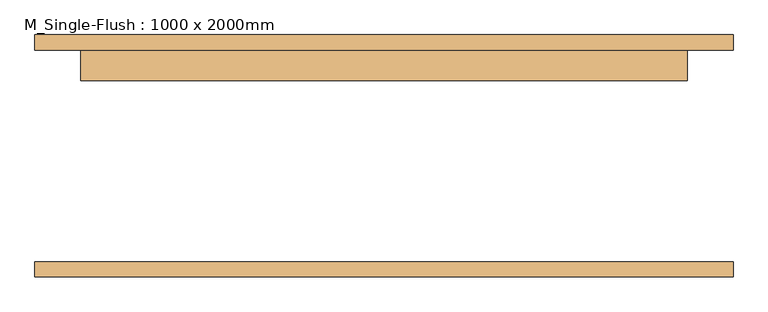
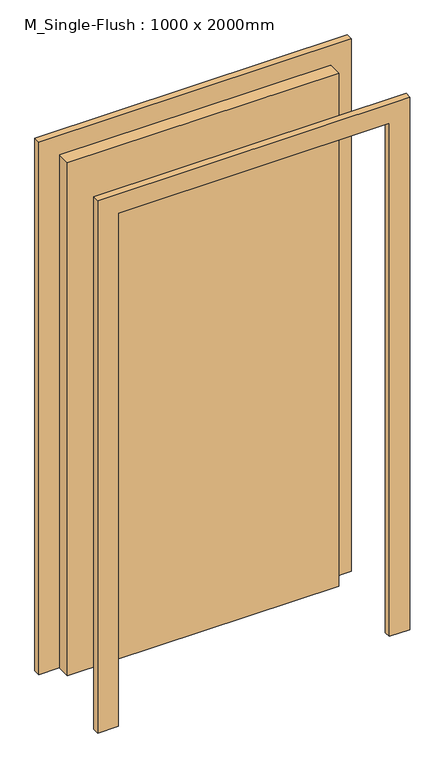
"""IFC4 building model written with IfcOpenShell, lengths in millimetres: door geometry, M_Single-Flush : 1000 x 2000mm."""

import ifcopenshell
import ifcopenshell.guid

model = None  # the IFC model being written
_history = None  # IfcOwnerHistory: only IFC2X3 demands one
_inside = {}  # id of a spatial element -> (the spatial element, [elements in it])
_under = {}  # id of a project, library or spatial element -> (it, [spatial elements below it])
_declared = {}  # id of a project -> (the project, [libraries it declares])
_typed = {}  # id of a type object -> (the type object, [elements of that type])
_made_of = {}  # id of a material, layer set ... -> (it, [elements and type objects made of it])


def new_model(schema):
    """Start an empty IFC model of exactly this schema.

    Asked for "IFC4X3", IfcOpenShell would pick the latest addendum, in which some entities
    have other attributes; the version numbers below select the first issue.
    IFC2X3 requires an IfcOwnerHistory on every rooted entity: one is made here for all.
    """
    global model, _history
    if schema == "IFC4X3":
        model = ifcopenshell.file(schema_version=(4, 3, 0, 0))
    else:
        model = ifcopenshell.file(schema=schema)
    _inside.clear()
    _under.clear()
    _declared.clear()
    _typed.clear()
    _made_of.clear()
    _history = None
    if model.schema == "IFC2X3":
        org = make("IfcOrganization", Name="unknown")
        user = make(
            "IfcPersonAndOrganization",
            ThePerson=make("IfcPerson", FamilyName="unknown"),
            TheOrganization=org,
        )
        app = make(
            "IfcApplication",
            ApplicationDeveloper=org,
            Version="unknown",
            ApplicationFullName="unknown",
            ApplicationIdentifier="unknown",
        )
        _history = make(
            "IfcOwnerHistory",
            OwningUser=user,
            OwningApplication=app,
            ChangeAction="ADDED",
            CreationDate=0,
        )
    return model


def make(cls, **values):
    """One entity of the class cls with the attributes given. An attribute that is None is left unset."""
    return model.create_entity(
        cls, **{name: value for name, value in values.items() if value is not None}
    )


def rooted(cls, **values):
    """An entity with a GlobalId (a new one), such as an element, a storey or a relation."""
    return make(cls, GlobalId=ifcopenshell.guid.new(), OwnerHistory=_history, **values)


def si_unit(unit_type, name, prefix=None):
    """IfcSIUnit, for example si_unit("LENGTHUNIT", "METRE", prefix="MILLI")."""
    return make("IfcSIUnit", UnitType=unit_type, Prefix=prefix, Name=name)


def assignment(units):
    """IfcUnitAssignment: the units of a project."""
    return None if units is None else make("IfcUnitAssignment", Units=units)


def point(xyz):
    """IfcCartesianPoint."""
    return None if xyz is None else make("IfcCartesianPoint", Coordinates=xyz)


def direction(xyz):
    """IfcDirection."""
    return None if xyz is None else make("IfcDirection", DirectionRatios=xyz)


def frame(location, z_axis=None, x_axis=None):
    """IfcAxis2Placement3D, a coordinate frame: its origin and axes. An axis left out is left unset."""
    return make(
        "IfcAxis2Placement3D",
        Location=point(location),
        Axis=direction(z_axis),
        RefDirection=direction(x_axis),
    )


def origin():
    """The frame at (0, 0, 0) with its axes left unset."""
    return frame((0.0, 0.0, 0.0))


def origin_with_axes():
    """The frame at (0, 0, 0) with the z axis (0, 0, 1) and the x axis (1, 0, 0) written out."""
    return frame((0.0, 0.0, 0.0), z_axis=(0.0, 0.0, 1.0), x_axis=(1.0, 0.0, 0.0))


def place(relative_to, where):
    """IfcLocalPlacement: puts the frame where relative to a parent placement (None: the world)."""
    return make(
        "IfcLocalPlacement", PlacementRelTo=relative_to, RelativePlacement=where
    )


def context(
    kind, dimensions, precision=None, world=None, true_north=None, identifier=None
):
    """IfcGeometricRepresentationContext, for example the 3D "Model" context."""
    return make(
        "IfcGeometricRepresentationContext",
        ContextIdentifier=identifier,
        ContextType=kind,
        CoordinateSpaceDimension=dimensions,
        Precision=precision,
        WorldCoordinateSystem=world,
        TrueNorth=true_north,
    )


def project(units=None, contexts=None):
    """IfcProject with its units and contexts."""
    return rooted(
        "IfcProject",
        Name="project",
        RepresentationContexts=contexts,
        UnitsInContext=assignment(units),
    )


def spatial(cls, under=None, at=None, **own):
    """A site, building, storey or space (cls), placed at a placement, below another one or the project."""
    s = rooted(cls, ObjectPlacement=at, **own)
    if under is not None:
        _under.setdefault(under.id(), (under, []))[1].append(s)
    return s


def polyline(points):
    """IfcPolyline through the points."""
    return make("IfcPolyline", Points=[point(p) for p in points])


def outline(outer, holes=None, kind="AREA"):
    """IfcArbitraryClosedProfileDef: a profile drawn as a closed curve; with holes, ...WithVoids."""
    if holes is None:
        return make("IfcArbitraryClosedProfileDef", ProfileType=kind, OuterCurve=outer)
    return make(
        "IfcArbitraryProfileDefWithVoids",
        ProfileType=kind,
        OuterCurve=outer,
        InnerCurves=holes,
    )


def extrude(swept, where, along, depth):
    """IfcExtrudedAreaSolid: the profile swept, set in the frame where, extruded along a direction by depth."""
    return make(
        "IfcExtrudedAreaSolid",
        SweptArea=swept,
        Position=where,
        ExtrudedDirection=direction(along),
        Depth=depth,
    )


def shape(context_of_items, identifier, shape_type, items):
    """IfcShapeRepresentation: the items that make up one representation, for example the "Body"."""
    return make(
        "IfcShapeRepresentation",
        ContextOfItems=context_of_items,
        RepresentationIdentifier=identifier,
        RepresentationType=shape_type,
        Items=items,
    )


def source(mapping_origin, context_of_items, identifier, shape_type, items):
    """IfcRepresentationMap: a shape defined once, which mapped items show again and again."""
    return make(
        "IfcRepresentationMap",
        MappingOrigin=mapping_origin,
        MappedRepresentation=shape(context_of_items, identifier, shape_type, items),
    )


def transform(
    local_origin,
    x_axis=None,
    y_axis=None,
    z_axis=None,
    scale=None,
    scale2=None,
    scale3=None,
    uniform=True,
):
    """IfcCartesianTransformationOperator3D, or its non-uniform kind. x_axis, y_axis, z_axis: its Axis1, 2, 3."""
    if uniform:
        return make(
            "IfcCartesianTransformationOperator3D",
            Axis1=direction(x_axis),
            Axis2=direction(y_axis),
            LocalOrigin=point(local_origin),
            Scale=scale,
            Axis3=direction(z_axis),
        )
    return make(
        "IfcCartesianTransformationOperator3DnonUniform",
        Axis1=direction(x_axis),
        Axis2=direction(y_axis),
        LocalOrigin=point(local_origin),
        Scale=scale,
        Axis3=direction(z_axis),
        Scale2=scale2,
        Scale3=scale3,
    )


def mapped(mapping_source, mapping_target):
    """IfcMappedItem: shows the shape of a source again, moved by a transform."""
    return make(
        "IfcMappedItem", MappingSource=mapping_source, MappingTarget=mapping_target
    )


def made_of(thing, what):
    """Note that an element or type object is made of a material, layer set ...; save() writes the relation."""
    if what is not None:
        _made_of.setdefault(what.id(), (what, []))[1].append(thing)
    return thing


def element(
    cls,
    number,
    at=None,
    inside=None,
    cuts=None,
    type_object=None,
    material=None,
    context=None,
    identifier="Body",
    shape_type=None,
    held_by="IfcProductDefinitionShape",
    body=None,
    shapes=None,
    **own,
):
    """One element of the class cls, such as IfcWall. Its Tag is "e" and its number.

    at: its placement. inside: the storey or other place that contains it. cuts: it is an
    opening in that element (IfcRelVoidsElement). A single representation is given by context,
    identifier, shape_type and body (its items); several are given by shapes. held_by: the class
    of the entity that holds the representations. save() writes the other relations.
    """
    e = rooted(cls, Tag="e%d" % number, ObjectPlacement=at, **own)
    if body is not None:
        shapes = [shape(context, identifier, shape_type, body)]
    if shapes is not None:
        e.Representation = make(held_by, Representations=shapes)
    if inside is not None:
        _inside.setdefault(inside.id(), (inside, []))[1].append(e)
    if cuts is not None:
        rooted(
            "IfcRelVoidsElement", RelatingBuildingElement=cuts, RelatedOpeningElement=e
        )
    if type_object is not None:
        _typed.setdefault(type_object.id(), (type_object, []))[1].append(e)
    return made_of(e, material)


def aggregate(whole, parts):
    """IfcRelAggregates: a whole, such as a stair, and the parts it consists of."""
    return rooted("IfcRelAggregates", RelatingObject=whole, RelatedObjects=parts)


def save(model, path):
    """Write the relations noted so far, then the file.

    IfcRelAggregates (storeys below a building ...), IfcRelContainedInSpatialStructure (elements
    in a storey), IfcRelDefinesByType, IfcRelAssociatesMaterial and IfcRelDeclares: one each for
    every whole, place, type object, material and project.
    """
    for whole, parts in _under.values():
        aggregate(whole, parts)
    for where, things in _inside.values():
        rooted(
            "IfcRelContainedInSpatialStructure",
            RelatedElements=things,
            RelatingStructure=where,
        )
    for kind, things in _typed.values():
        rooted("IfcRelDefinesByType", RelatedObjects=things, RelatingType=kind)
    for what, things in _made_of.values():
        rooted("IfcRelAssociatesMaterial", RelatedObjects=things, RelatingMaterial=what)
    for by, libraries in _declared.values():
        rooted("IfcRelDeclares", RelatingContext=by, RelatedDefinitions=libraries)
    model.write(path)


def m_single_flush_1000_x_2000mm_0030f35c(model_context):
    return source(origin(), model_context, "Body", "SweptSolid", [
        extrude(outline(polyline([(2076.0, -576.0), (0.0, -576.0), (0.0, -500.0), (2000.0, -500.0), (2000.0, 500.0), (0.0, 500.0), (0.0, 576.0), (2076.0, 576.0), (2076.0, -576.0)])), frame((0.0, 175.0, 0.0), z_axis=(0.0, 1.0, 0.0), x_axis=(0.0, 0.0, 1.0)), (0.0, 0.0, 1.0), 25.0),
        extrude(outline(polyline([(2076.0, 576.0), (2076.0, -576.0), (0.0, -576.0), (0.0, -500.0), (2000.0, -500.0), (2000.0, 500.0), (0.0, 500.0), (0.0, 576.0), (2076.0, 576.0)])), frame((0.0, -200.0, 0.0), z_axis=(0.0, 1.0, 0.0), x_axis=(0.0, 0.0, 1.0)), (0.0, 0.0, 1.0), 25.0),
        extrude(outline(polyline([(500.0, 124.0), (-500.0, 124.0), (-500.0, 175.0), (500.0, 175.0), (500.0, 124.0)])), origin_with_axes(), (0.0, 0.0, 1.0), 2000.0),
    ])


if __name__ == "__main__":
    model = new_model("IFC4")
    model_context = context("Model", 3, world=origin())
    ifc_project = project(units=[si_unit("LENGTHUNIT", "METRE", prefix="MILLI")], contexts=[model_context])
    site = spatial("IfcSite", under=ifc_project)
    building = spatial("IfcBuilding", under=site)
    placement = place(None, origin())
    m_single_flush_1000_x_2000mm_shape = m_single_flush_1000_x_2000mm_0030f35c(model_context)
    element("IfcDoor", 1, ObjectType="M_Single-Flush : 1000 x 2000mm", at=placement, inside=building, context=model_context, shape_type="MappedRepresentation", body=[
        mapped(m_single_flush_1000_x_2000mm_shape, transform((0.0, 0.0, 0.0), x_axis=(1.0, 0.0, 0.0), y_axis=(0.0, 1.0, 0.0), z_axis=(0.0, 0.0, 1.0))),
    ])
    save(model, "model.ifc")
